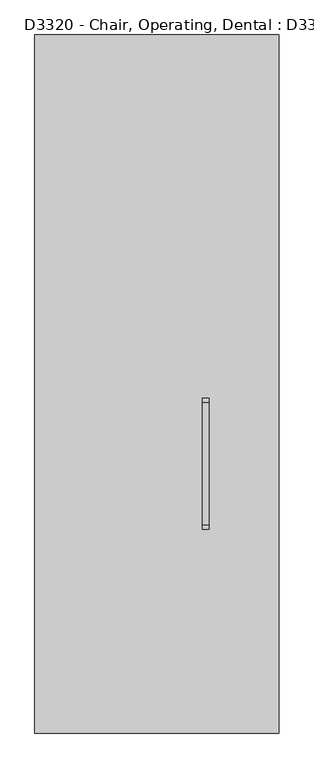
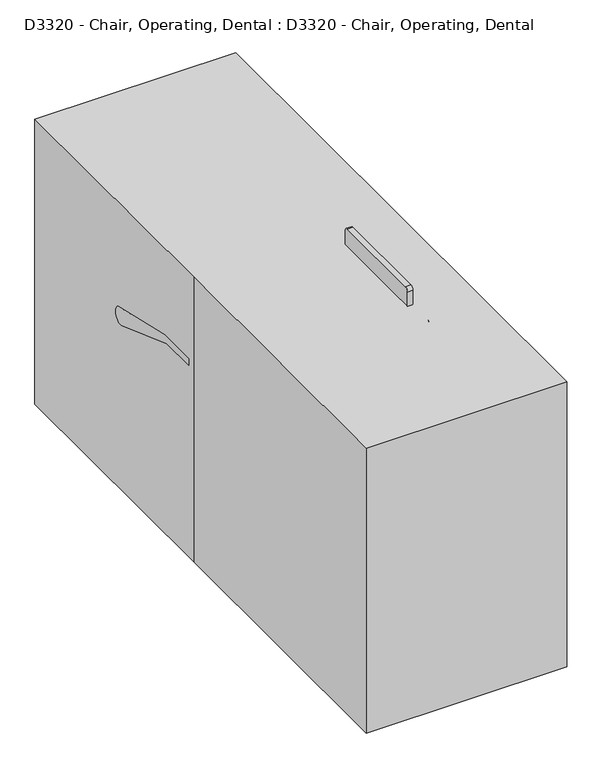
"""IFC4 building model written with IfcOpenShell, lengths in millimetres: proxy geometry, D3320 - Chair, Operating, Dental : D3320 - Chair, Operating, Dental."""

from ifc_helpers import new_model, si_unit, point, frame, frame_2d, origin, origin_with_axes, place, context, project, spatial, polyline, circle_curve, ellipse_curve, trimmed, segment, composite_curve, outline, extrude, source, transform, mapped, element, save
from ifc_brep_helpers import plane_surface, cylinder_surface, revolved_surface, spline_surface, advanced_brep


def d3320_chair_operating_dental_d3320_chair_operating_dental_678bfee4(model_context):
    return source(origin(), model_context, "Body", "SolidModel", [
        advanced_brep(
        [(330.2, -282.0868489, 807.4979758), (330.2, -282.0868489, 845.5979758), (330.2, -212.2368489, 877.3479758), (330.2, -250.3368489, 877.3479758)],
        [
            (0, 1, circle_curve(frame((330.2, -282.0868489, 826.5479758), z_axis=(0.0, -1.0, 0.0), x_axis=(0.0, 0.0, 1.0)), 19.05)),
            (1, 0, circle_curve(frame((330.2, -282.0868489, 826.5479758), z_axis=(0.0, -1.0, 0.0), x_axis=(0.0, 0.0, 1.0)), 19.05)),
            (2, 3, circle_curve(frame((330.2, -231.2868489, 877.3479758), z_axis=(0.0, 0.0, 1.0), x_axis=(0.0, -1.0, 0.0)), 19.05)),
            (3, 2, circle_curve(frame((330.2, -231.2868489, 877.3479758), z_axis=(0.0, 0.0, 1.0), x_axis=(0.0, -1.0, 0.0)), 19.05)),
            (3, 1, circle_curve(frame((330.2, -282.0868489, 877.3479758), z_axis=(-1.0, 0.0, 0.0), x_axis=(0.0, 0.0, -1.0)), 31.75)),
            (0, 2, circle_curve(frame((330.2, -282.0868489, 877.3479758), z_axis=(1.0, 0.0, 0.0), x_axis=(0.0, 0.0, -1.0)), 69.85)),
        ],
        [
            plane_surface(frame((330.2, -282.0868489, 826.5479758), z_axis=(0.0, -1.0, 0.0), x_axis=(1.0, 0.0, 0.0))),
            plane_surface(frame((330.2, -231.2868489, 877.3479758), z_axis=(0.0, 0.0, 1.0), x_axis=(1.0, 0.0, 0.0))),
            revolved_surface(trimmed(ellipse_curve(frame((330.2, -282.0868489, 826.5479758), z_axis=(0.0, -1.0, 0.0), x_axis=(0.0, 0.0, 1.0)), 19.05, 19.05), [point((330.2, -282.0868489, 807.4979758))], [point((330.2, -282.0868489, 845.5979758))], True, "CARTESIAN"), (330.2, -282.0868489, 877.3479758), (1.0, 0.0, 0.0)),
            revolved_surface(trimmed(ellipse_curve(frame((330.2, -282.0868489, 826.5479758), z_axis=(0.0, -1.0, 0.0), x_axis=(0.0, 0.0, 1.0)), 19.05, 19.05), [point((330.2, -282.0868489, 845.5979758))], [point((330.2, -282.0868489, 807.4979758))], True, "CARTESIAN"), (330.2, -282.0868489, 877.3479758), (1.0, 0.0, 0.0)),
        ],
        [
            (0, [[1, 2]]),
            (1, [[3, 4]]),
            (2, [[5, -1, 6, -4]]),
            (3, [[-6, -2, -5, -3]]),
        ],
    ),
        extrude(outline(composite_curve([segment(trimmed(circle_curve(frame_2d((826.5479758, 330.2)), 19.05), [point((807.4979758, 330.2))], [point((845.5979758, 330.2))], False, "CARTESIAN"), True, "CONTINUOUS"), segment(trimmed(circle_curve(frame_2d((826.5479758, 330.2)), 19.05), [point((845.5979758, 330.2))], [point((807.4979758, 330.2))], False, "CARTESIAN"), True, "CONTINUOUS")], self_intersect=False)), frame((0.0, -629.7082464, 0.0), z_axis=(0.0, 1.0, 0.0), x_axis=(0.0, 0.0, 1.0)), (0.0, 0.0, 1.0), 347.6213974),
        advanced_brep(
        [(330.2, -629.7082464, 845.5979758), (330.2, -629.7082464, 807.4979758), (330.2, -699.5582464, 775.7479758), (330.2, -661.4582464, 775.7479758)],
        [
            (0, 1, circle_curve(frame((330.2, -629.7082464, 826.5479758), z_axis=(0.0, 1.0, 0.0), x_axis=(0.0, 0.0, -1.0)), 19.05)),
            (1, 0, circle_curve(frame((330.2, -629.7082464, 826.5479758), z_axis=(0.0, 1.0, 0.0), x_axis=(0.0, 0.0, -1.0)), 19.05)),
            (2, 3, circle_curve(frame((330.2, -680.5082464, 775.7479758), z_axis=(0.0, 0.0, -1.0), x_axis=(0.0, 1.0, 0.0)), 19.05)),
            (3, 2, circle_curve(frame((330.2, -680.5082464, 775.7479758), z_axis=(0.0, 0.0, -1.0), x_axis=(0.0, 1.0, 0.0)), 19.05)),
            (3, 1, circle_curve(frame((330.2, -629.7082464, 775.7479758), z_axis=(-1.0, 0.0, 0.0), x_axis=(0.0, 0.0, 1.0)), 31.75)),
            (0, 2, circle_curve(frame((330.2, -629.7082464, 775.7479758), z_axis=(1.0, 0.0, 0.0), x_axis=(0.0, 0.0, 1.0)), 69.85)),
        ],
        [
            plane_surface(frame((330.2, -629.7082464, 826.5479758), z_axis=(0.0, 1.0, 0.0), x_axis=(1.0, 0.0, 0.0))),
            plane_surface(frame((330.2, -680.5082464, 775.7479758), z_axis=(0.0, 0.0, -1.0), x_axis=(1.0, 0.0, 0.0))),
            revolved_surface(trimmed(ellipse_curve(frame((330.2, -629.7082464, 826.5479758), z_axis=(0.0, 1.0, 0.0), x_axis=(0.0, 0.0, -1.0)), 19.05, 19.05), [point((330.2, -629.7082464, 845.5979758))], [point((330.2, -629.7082464, 807.4979758))], True, "CARTESIAN"), (330.2, -629.7082464, 775.7479758), (1.0, 0.0, 0.0)),
            revolved_surface(trimmed(ellipse_curve(frame((330.2, -629.7082464, 826.5479758), z_axis=(0.0, 1.0, 0.0), x_axis=(0.0, 0.0, -1.0)), 19.05, 19.05), [point((330.2, -629.7082464, 807.4979758))], [point((330.2, -629.7082464, 845.5979758))], True, "CARTESIAN"), (330.2, -629.7082464, 775.7479758), (1.0, 0.0, 0.0)),
        ],
        [
            (0, [[1, 2]]),
            (1, [[3, 4]]),
            (2, [[5, -1, 6, -4]]),
            (3, [[-6, -2, -5, -3]]),
        ],
    ),
        extrude(outline(composite_curve([segment(polyline([(-54.312137, 904.4198133), (-409.912137, 904.4198133)]), True, "CONTINUOUS"), segment(trimmed(circle_curve(frame_2d((-409.912137, 917.1198133)), 12.7), [point((-409.912137, 904.4198133))], [point((-422.612137, 917.1198133))], False, "CARTESIAN"), True, "CONTINUOUS"), segment(polyline([(-422.612137, 917.1198133), (-422.612137, 1120.3198133)]), True, "CONTINUOUS"), segment(trimmed(circle_curve(frame_2d((-409.912137, 1120.3198133)), 12.7), [point((-422.612137, 1120.3198133))], [point((-409.912137, 1133.0198133))], False, "CARTESIAN"), True, "CONTINUOUS"), segment(polyline([(-409.912137, 1133.0198133), (-54.312137, 1133.0198133)]), True, "CONTINUOUS"), segment(trimmed(circle_curve(frame_2d((-54.312137, 1120.3198133)), 12.7), [point((-54.312137, 1133.0198133))], [point((-41.612137, 1120.3198133))], False, "CARTESIAN"), True, "CONTINUOUS"), segment(polyline([(-41.612137, 1120.3198133), (-41.612137, 917.1198133)]), True, "CONTINUOUS"), segment(trimmed(circle_curve(frame_2d((-54.312137, 917.1198133)), 12.7), [point((-41.612137, 917.1198133))], [point((-54.312137, 904.4198133))], False, "CARTESIAN"), True, "CONTINUOUS")], self_intersect=False)), frame((133.35, 0.0, 0.0), z_axis=(1.0, 0.0, 0.0), x_axis=(0.0, 1.0, 0.0)), (0.0, 0.0, 1.0), 19.05),
        advanced_brep(
        [(152.4, -231.2868489, 909.123847), (152.4, -231.2868489, 947.223847), (279.4, -231.2868489, 947.223847), (279.4, -231.2868489, 909.123847), (311.15, -231.2868489, 877.373847), (349.25, -231.2868489, 877.373847)],
        [
            (0, 1, circle_curve(frame((152.4, -231.2868489, 928.173847), z_axis=(-1.0, 0.0, 0.0), x_axis=(0.0, 0.0, 1.0)), 19.05)),
            (1, 0, circle_curve(frame((152.4, -231.2868489, 928.173847), z_axis=(-1.0, 0.0, 0.0), x_axis=(0.0, 0.0, 1.0)), 19.05)),
            (1, 2),
            (2, 3, circle_curve(frame((279.4, -231.2868489, 928.173847), z_axis=(-1.0, 0.0, 0.0), x_axis=(0.0, 0.0, 1.0)), 19.05)),
            (3, 0),
            (3, 2, circle_curve(frame((279.4, -231.2868489, 928.173847), z_axis=(-1.0, 0.0, 0.0), x_axis=(0.0, 0.0, 1.0)), 19.05)),
            (4, 5, circle_curve(frame((330.2, -231.2868489, 877.373847), z_axis=(0.0, 0.0, -1.0), x_axis=(1.0, 0.0, 0.0)), 19.05)),
            (5, 4, circle_curve(frame((330.2, -231.2868489, 877.373847), z_axis=(0.0, 0.0, -1.0), x_axis=(1.0, 0.0, 0.0)), 19.05)),
            (4, 3, circle_curve(frame((279.4, -231.2868489, 877.373847), z_axis=(0.0, -1.0, 0.0), x_axis=(0.0, 0.0, 1.0)), 31.75)),
            (2, 5, circle_curve(frame((279.4, -231.2868489, 877.373847), z_axis=(0.0, 1.0, 0.0), x_axis=(0.0, 0.0, 1.0)), 69.85)),
        ],
        [
            plane_surface(frame((152.4, -231.2868489, 928.173847), z_axis=(-1.0, 0.0, 0.0), x_axis=(0.0, -1.0, 0.0))),
            cylinder_surface(frame((152.4, -231.2868489, 928.173847), z_axis=(-1.0, 0.0, 0.0), x_axis=(0.0, 0.0, 1.0)), 19.05),
            plane_surface(frame((330.2, -231.2868489, 877.373847), z_axis=(0.0, 0.0, -1.0), x_axis=(0.0, -1.0, 0.0))),
            revolved_surface(trimmed(ellipse_curve(frame((279.4, -231.2868489, 928.173847), z_axis=(-1.0, 0.0, 0.0), x_axis=(0.0, 0.0, 1.0)), 19.05, 19.05), [point((279.4, -231.2868489, 947.223847))], [point((279.4, -231.2868489, 909.123847))], True, "CARTESIAN"), (279.4, -231.2868489, 877.373847), (0.0, 1.0, 0.0)),
            revolved_surface(trimmed(ellipse_curve(frame((279.4, -231.2868489, 928.173847), z_axis=(-1.0, 0.0, 0.0), x_axis=(0.0, 0.0, 1.0)), 19.05, 19.05), [point((279.4, -231.2868489, 909.123847))], [point((279.4, -231.2868489, 947.223847))], True, "CARTESIAN"), (279.4, -231.2868489, 877.373847), (0.0, 1.0, 0.0)),
        ],
        [
            (0, [[1, 2]]),
            (1, [[-2, 3, 4, 5]]),
            (1, [[-1, -5, 6, -3]]),
            (2, [[7, 8]]),
            (3, [[9, -4, 10, -7]]),
            (4, [[-10, -6, -9, -8]]),
        ],
    ),
        advanced_brep(
        [(152.4, -680.5082464, 147.0979758), (152.4, -680.5082464, 185.1979758), (279.4, -680.5082464, 147.0979758), (279.4, -680.5082464, 185.1979758), (349.25, -680.5082464, 216.9479758), (311.15, -680.5082464, 216.9479758)],
        [
            (0, 1, circle_curve(frame((152.4, -680.5082464, 166.1479758), z_axis=(-1.0, 0.0, 0.0), x_axis=(0.0, 0.0, 1.0)), 19.05)),
            (1, 0, circle_curve(frame((152.4, -680.5082464, 166.1479758), z_axis=(-1.0, 0.0, 0.0), x_axis=(0.0, 0.0, 1.0)), 19.05)),
            (0, 2),
            (2, 3, circle_curve(frame((279.4, -680.5082464, 166.1479758), z_axis=(-1.0, 0.0, 0.0), x_axis=(0.0, 0.0, 1.0)), 19.05)),
            (3, 1),
            (3, 2, circle_curve(frame((279.4, -680.5082464, 166.1479758), z_axis=(-1.0, 0.0, 0.0), x_axis=(0.0, 0.0, 1.0)), 19.05)),
            (4, 5, circle_curve(frame((330.2, -680.5082464, 216.9479758), z_axis=(0.0, 0.0, 1.0), x_axis=(-1.0, 0.0, 0.0)), 19.05)),
            (5, 4, circle_curve(frame((330.2, -680.5082464, 216.9479758), z_axis=(0.0, 0.0, 1.0), x_axis=(-1.0, 0.0, 0.0)), 19.05)),
            (5, 3, circle_curve(frame((279.4, -680.5082464, 216.9479758), z_axis=(0.0, 1.0, 0.0), x_axis=(0.0, 0.0, -1.0)), 31.75)),
            (2, 4, circle_curve(frame((279.4, -680.5082464, 216.9479758), z_axis=(0.0, -1.0, 0.0), x_axis=(0.0, 0.0, -1.0)), 69.85)),
        ],
        [
            plane_surface(frame((152.4, -680.5082464, 166.1479758), z_axis=(-1.0, 0.0, 0.0), x_axis=(0.0, -1.0, 0.0))),
            cylinder_surface(frame((152.4, -680.5082464, 166.1479758), z_axis=(-1.0, 0.0, 0.0), x_axis=(0.0, 0.0, 1.0)), 19.05),
            plane_surface(frame((330.2, -680.5082464, 216.9479758), z_axis=(0.0, 0.0, 1.0), x_axis=(0.0, -1.0, 0.0))),
            revolved_surface(trimmed(ellipse_curve(frame((279.4, -680.5082464, 166.1479758), z_axis=(-1.0, 0.0, 0.0), x_axis=(0.0, 0.0, 1.0)), 19.05, 19.05), [point((279.4, -680.5082464, 147.0979758))], [point((279.4, -680.5082464, 185.1979758))], True, "CARTESIAN"), (279.4, -680.5082464, 216.9479758), (0.0, -1.0, 0.0)),
            revolved_surface(trimmed(ellipse_curve(frame((279.4, -680.5082464, 166.1479758), z_axis=(-1.0, 0.0, 0.0), x_axis=(0.0, 0.0, 1.0)), 19.05, 19.05), [point((279.4, -680.5082464, 185.1979758))], [point((279.4, -680.5082464, 147.0979758))], True, "CARTESIAN"), (279.4, -680.5082464, 216.9479758), (0.0, -1.0, 0.0)),
        ],
        [
            (0, [[1, 2]]),
            (1, [[-1, 3, 4, 5]]),
            (1, [[-2, -5, 6, -3]]),
            (2, [[7, 8]]),
            (3, [[9, -4, 10, -8]]),
            (4, [[-10, -6, -9, -7]]),
        ],
    ),
        extrude(outline(composite_curve([segment(trimmed(circle_curve(frame_2d((493.8256126, 645.6714008)), 19.05), [point((474.7756126, 645.6714008))], [point((512.8756126, 645.6714008))], False, "CARTESIAN"), True, "CONTINUOUS"), segment(trimmed(circle_curve(frame_2d((493.8256126, 645.6714008)), 19.05), [point((512.8756126, 645.6714008))], [point((474.7756126, 645.6714008))], False, "CARTESIAN"), True, "CONTINUOUS")], self_intersect=False)), frame((-306.1189765, 0.0, 0.0), z_axis=(1.0, 0.0, 0.0), x_axis=(0.0, 1.0, 0.0)), (0.0, 0.0, 1.0), 610.9189765),
        extrude(outline(composite_curve([segment(trimmed(circle_curve(frame_2d((330.2, -680.5082464)), 19.05), [point((349.25, -680.5082464))], [point((311.15, -680.5082464))], False, "CARTESIAN"), True, "CONTINUOUS"), segment(trimmed(circle_curve(frame_2d((330.2, -680.5082464)), 19.05), [point((311.15, -680.5082464))], [point((349.25, -680.5082464))], False, "CARTESIAN"), True, "CONTINUOUS")], self_intersect=False)), frame((0.0, 0.0, 216.9479758), z_axis=(0.0, 0.0, 1.0), x_axis=(1.0, 0.0, 0.0)), (0.0, 0.0, 1.0), 558.8),
        extrude(outline(composite_curve([segment(trimmed(circle_curve(frame_2d((208.2843617, -50.8)), 50.8), [point((208.2843617, 0.0))], [point((243.3133982, -14.0086069))], False, "CARTESIAN"), True, "CONTINUOUS"), segment(polyline([(243.3133982, -14.0086069), (332.2133982, -167.9879237)]), True, "CONTINUOUS"), segment(trimmed(circle_curve(frame_2d((16.6967808, -350.1515277)), 364.327208), [point((332.2133982, -167.9879237))], [point((381.0, -345.9707394))], False, "CARTESIAN"), True, "CONTINUOUS"), segment(polyline([(381.0, -345.9707394), (381.0, -422.1707394)]), True, "CONTINUOUS"), segment(trimmed(circle_curve(frame_2d((182.0559291, -422.1707394)), 198.9440709), [point((381.0, -422.1707394))], [point((309.9347128, -574.5707394))], False, "CARTESIAN"), True, "CONTINUOUS"), segment(polyline([(309.9347128, -574.5707394), (-50.8, -574.5707394)]), True, "CONTINUOUS"), segment(trimmed(circle_curve(frame_2d((22.4448791, -442.6982999)), 150.8481111), [point((-50.8, -574.5707394))], [point((-127.0, -422.1707394))], False, "CARTESIAN"), True, "CONTINUOUS"), segment(polyline([(-127.0, -422.1707394), (-127.0, -345.9707394)]), True, "CONTINUOUS"), segment(trimmed(circle_curve(frame_2d((237.3032191, -350.1515277)), 364.327208), [point((-127.0, -345.9707394))], [point((-78.2133983, -167.9879237))], False, "CARTESIAN"), True, "CONTINUOUS"), segment(polyline([(-78.2133983, -167.9879237), (10.6866017, -14.0086069)]), True, "CONTINUOUS"), segment(trimmed(circle_curve(frame_2d((45.7156382, -50.8)), 50.8), [point((10.6866017, -14.0086069))], [point((45.7156382, 0.0))], False, "CARTESIAN"), True, "CONTINUOUS"), segment(polyline([(45.7156382, 0.0), (208.2843617, 0.0)]), True, "CONTINUOUS")], self_intersect=False)), frame((-129.5673564, 864.322553, 876.3857997), z_axis=(0.0, -0.6156614753256581, 0.7880107536067222), x_axis=(1.0, 0.0, 0.0)), (0.0, 0.0, 1.0), 25.4),
        extrude(outline(composite_curve([segment(trimmed(circle_curve(frame_2d((208.2843617, -50.8)), 50.8), [point((208.2843617, 0.0))], [point((243.3133982, -14.0086069))], False, "CARTESIAN"), True, "CONTINUOUS"), segment(polyline([(243.3133982, -14.0086069), (332.2133982, -167.9879237)]), True, "CONTINUOUS"), segment(trimmed(circle_curve(frame_2d((16.6967808, -350.1515277)), 364.327208), [point((332.2133982, -167.9879237))], [point((381.0, -345.9707394))], False, "CARTESIAN"), True, "CONTINUOUS"), segment(polyline([(381.0, -345.9707394), (381.0, -422.1707394)]), True, "CONTINUOUS"), segment(trimmed(circle_curve(frame_2d((182.0559291, -422.1707394)), 198.9440709), [point((381.0, -422.1707394))], [point((309.9347128, -574.5707394))], False, "CARTESIAN"), True, "CONTINUOUS"), segment(polyline([(309.9347128, -574.5707394), (-50.8, -574.5707394)]), True, "CONTINUOUS"), segment(trimmed(circle_curve(frame_2d((22.4448791, -442.6982998)), 150.8481111), [point((-50.8, -574.5707394))], [point((-127.0, -422.1707394))], False, "CARTESIAN"), True, "CONTINUOUS"), segment(polyline([(-127.0, -422.1707394), (-127.0, -345.9707394)]), True, "CONTINUOUS"), segment(trimmed(circle_curve(frame_2d((237.3032191, -350.1515277)), 364.327208), [point((-127.0, -345.9707394))], [point((-78.2133983, -167.9879237))], False, "CARTESIAN"), True, "CONTINUOUS"), segment(polyline([(-78.2133983, -167.9879237), (10.6866017, -14.0086069)]), True, "CONTINUOUS"), segment(trimmed(circle_curve(frame_2d((45.7156382, -50.8)), 50.8), [point((10.6866017, -14.0086069))], [point((45.7156382, 0.0))], False, "CARTESIAN"), True, "CONTINUOUS"), segment(polyline([(45.7156382, 0.0), (208.2843617, 0.0)]), True, "CONTINUOUS")], self_intersect=False)), frame((-129.5673564, 848.6847515, 896.4012729), z_axis=(0.0, -0.6156614753256581, 0.7880107536067222), x_axis=(1.0, 0.0, 0.0)), (0.0, 0.0, 1.0), 50.8),
        extrude(outline(composite_curve([segment(trimmed(circle_curve(frame_2d((489.7654805, 647.772225)), 31.75), [point((504.1673656, 676.0679527))], [point((478.9625427, 617.9165884))], False, "CARTESIAN"), True, "CONTINUOUS"), segment(polyline([(478.9625427, 617.9165884), (206.8538697, 716.3761557), (73.5038697, 716.3761557), (73.5038697, 741.7761557), (219.5538697, 741.7761557), (504.1673656, 676.0679527)]), True, "CONTINUOUS")], self_intersect=False)), frame((304.8, 0.0, 0.0), z_axis=(1.0, 0.0, 0.0), x_axis=(0.0, 1.0, 0.0)), (0.0, 0.0, 1.0), 50.8),
        extrude(outline(composite_curve([segment(trimmed(circle_curve(frame_2d((489.7654805, 647.772225)), 31.75), [point((504.1673656, 676.0679527))], [point((478.9625427, 617.9165884))], False, "CARTESIAN"), True, "CONTINUOUS"), segment(polyline([(478.9625427, 617.9165884), (206.8538697, 716.3761557), (73.5038697, 716.3761557), (73.5038697, 741.7761557), (219.5538697, 741.7761557), (504.1673656, 676.0679527)]), True, "CONTINUOUS")], self_intersect=False)), frame((-355.6, 0.0, 0.0), z_axis=(1.0, 0.0, 0.0), x_axis=(0.0, 1.0, 0.0)), (0.0, 0.0, 1.0), 50.8),
        extrude(outline(polyline([(310.7877426, 480.8103013), (395.9168302, 542.6602038), (411.5546317, 522.6447306), (310.7877426, 449.4333003), (310.7877426, 480.8103013)])), frame((-50.8, 0.0, 0.0), z_axis=(1.0, 0.0, 0.0), x_axis=(0.0, 1.0, 0.0)), (0.0, 0.0, 1.0), 101.6),
        extrude(outline(polyline([(0.0, -12.7000001), (0.0, 0.0), (50.8, 0.0), (50.8, -12.7000001), (0.0, -12.7000001)])), frame((25.4, 864.322553, 876.3857997), z_axis=(0.0, -0.6156614753256595, 0.788010753606721), x_axis=(-1.0, 0.0, 0.0)), (0.0, 0.0, 1.0), 25.4),
        extrude(outline(composite_curve([segment(trimmed(circle_curve(frame_2d((101.6, -50.8)), 50.8), [point((101.6, 0.0))], [point((152.4, -50.8))], False, "CARTESIAN"), True, "CONTINUOUS"), segment(polyline([(152.4, -50.8), (152.4, -101.6)]), True, "CONTINUOUS"), segment(trimmed(circle_curve(frame_2d((101.6, -101.6)), 50.8), [point((152.4, -101.6))], [point((101.6, -152.3999999))], False, "CARTESIAN"), True, "CONTINUOUS"), segment(polyline([(101.6, -152.3999999), (50.8, -152.3999999)]), True, "CONTINUOUS"), segment(trimmed(circle_curve(frame_2d((50.8, -101.6)), 50.8), [point((50.8, -152.3999999))], [point((0.0, -101.6))], False, "CARTESIAN"), True, "CONTINUOUS"), segment(polyline([(0.0, -101.6), (0.0, -50.8)]), True, "CONTINUOUS"), segment(trimmed(circle_curve(frame_2d((50.8, -50.8)), 50.8), [point((0.0, -50.8))], [point((50.8, 0.0))], False, "CARTESIAN"), True, "CONTINUOUS"), segment(polyline([(50.8, 0.0), (101.6, 0.0)]), True, "CONTINUOUS")], self_intersect=False)), frame((-76.2, 994.4231284, 978.0315093), z_axis=(0.0, -0.6156614753256581, 0.7880107536067222), x_axis=(1.0, 0.0, 0.0)), (0.0, 0.0, 1.0), 25.4),
        extrude(outline(composite_curve([segment(trimmed(circle_curve(frame_2d((101.6, -50.8)), 50.8), [point((101.6, 0.0))], [point((152.4, -50.8))], False, "CARTESIAN"), True, "CONTINUOUS"), segment(polyline([(152.4, -50.8), (152.4, -101.6)]), True, "CONTINUOUS"), segment(trimmed(circle_curve(frame_2d((101.6, -101.6)), 50.8), [point((152.4, -101.6))], [point((101.6, -152.4))], False, "CARTESIAN"), True, "CONTINUOUS"), segment(polyline([(101.6, -152.4), (50.8, -152.4)]), True, "CONTINUOUS"), segment(trimmed(circle_curve(frame_2d((50.8, -101.6)), 50.8), [point((50.8, -152.4))], [point((0.0, -101.6))], False, "CARTESIAN"), True, "CONTINUOUS"), segment(polyline([(0.0, -101.6), (0.0, -50.8)]), True, "CONTINUOUS"), segment(trimmed(circle_curve(frame_2d((50.8, -50.8)), 50.8), [point((0.0, -50.8))], [point((50.8, 0.0))], False, "CARTESIAN"), True, "CONTINUOUS"), segment(polyline([(50.8, 0.0), (101.6, 0.0)]), True, "CONTINUOUS")], self_intersect=False)), frame((-76.2, 978.7853269, 998.0469825), z_axis=(0.0, -0.6156614753256581, 0.7880107536067222), x_axis=(1.0, 0.0, 0.0)), (0.0, 0.0, 1.0), 50.8),
        extrude(outline(polyline([(336.1877426, 524.8043918), (310.7877426, 480.8103013), (-272.8576262, 594.2594685), (-295.1268804, 639.918206), (336.1877426, 524.8043918)])), frame((-304.8, 0.0, 0.0), z_axis=(1.0, 0.0, 0.0), x_axis=(0.0, 1.0, 0.0)), (0.0, 0.0, 1.0), 609.6),
        extrude(outline(composite_curve([segment(polyline([(598.2189765, 0.0), (532.7462193, -533.2328165)]), True, "CONTINUOUS"), segment(trimmed(circle_curve(frame_2d((274.2361884, -526.7589345)), 258.5910811), [point((532.7462193, -533.2328165))], [point((338.8867287, -777.137957))], False, "CARTESIAN"), True, "CONTINUOUS"), segment(polyline([(338.8867287, -777.137957), (245.3132713, -777.137957)]), True, "CONTINUOUS"), segment(trimmed(circle_curve(frame_2d((309.9638116, -526.7589345)), 258.5910811), [point((245.3132713, -777.137957))], [point((51.4537807, -533.2328165))], False, "CARTESIAN"), True, "CONTINUOUS"), segment(polyline([(51.4537807, -533.2328165), (-14.0189765, 0.0), (598.2189765, 0.0)]), True, "CONTINUOUS")], self_intersect=False)), frame((-292.1, -283.3586332, 589.1377851), z_axis=(0.0, -0.4383711467890792, 0.8987940462991661), x_axis=(1.0, 0.0, 0.0)), (0.0, 0.0, 1.0), 50.8),
        extrude(outline(composite_curve([segment(polyline([(-272.8576262, 594.2594685), (310.7877426, 480.8103013), (310.7877426, 452.8366621)]), True, "CONTINUOUS"), segment(trimmed(circle_curve(frame_2d((259.9877426, 452.8366621)), 50.8), [point((310.7877426, 452.8366621))], [point((259.9877426, 402.0366621))], False, "CARTESIAN"), True, "CONTINUOUS"), segment(polyline([(259.9877426, 402.0366621), (90.373422, 402.0366621)]), True, "CONTINUOUS"), segment(trimmed(circle_curve(frame_2d((90.373422, 452.8366621)), 50.8), [point((90.373422, 402.0366621))], [point((74.4163817, 404.6079065))], False, "CARTESIAN"), True, "CONTINUOUS"), segment(polyline([(74.4163817, 404.6079065), (-364.1751013, 549.7209599), (-272.8576262, 594.2594685)]), True, "CONTINUOUS")], self_intersect=False)), frame((-254.0, 0.0, 0.0), z_axis=(1.0, 0.0, 0.0), x_axis=(0.0, 1.0, 0.0)), (0.0, 0.0, 1.0), 508.0),
        extrude(outline(composite_curve([segment(trimmed(circle_curve(frame_2d((154.8195441, 313.1366621)), 80.8223051), [point((235.6418492, 313.1366621))], [point((154.8195441, 232.314357))], False, "CARTESIAN"), True, "CONTINUOUS"), segment(polyline([(154.8195441, 232.314357), (135.7695441, 232.314357)]), True, "CONTINUOUS"), segment(trimmed(circle_curve(frame_2d((135.7695441, 411.5922374)), 179.2778804), [point((135.7695441, 232.314357))], [point((-40.7847024, 442.7235146))], False, "CARTESIAN"), True, "CONTINUOUS"), segment(polyline([(-40.7847024, 442.7235146), (74.4163817, 404.6079065)]), True, "CONTINUOUS"), segment(trimmed(circle_curve(frame_2d((90.373422, 452.8366621)), 50.8), [point((74.4163817, 404.6079065))], [point((88.8729292, 402.0588271))], True, "CARTESIAN"), True, "CONTINUOUS"), segment(polyline([(88.8729292, 402.0588271), (235.6418492, 402.0588271), (235.6418492, 313.1366621)]), True, "CONTINUOUS")], self_intersect=False)), frame((-152.4, 0.0, 0.0), z_axis=(1.0, 0.0, 0.0), x_axis=(0.0, 1.0, 0.0)), (0.0, 0.0, 1.0), 304.8),
        extrude(outline(composite_curve([segment(polyline([(-203.6480621, 317.5988676), (-34.8553722, 356.5677306)]), True, "CONTINUOUS"), segment(trimmed(circle_curve(frame_2d((135.7695441, 411.5922374)), 179.2778804), [point((-34.8553722, 356.5677306))], [point((43.7175474, 257.7514485))], True, "CARTESIAN"), True, "CONTINUOUS"), segment(polyline([(43.7175474, 257.7514485), (-123.4829714, 209.8074713)]), True, "CONTINUOUS"), segment(trimmed(circle_curve(frame_2d((-381.5323002, 101.6)), 279.8183571), [point((-123.4829714, 209.8074713))], [point((-203.6480621, 317.5988676))], True, "CARTESIAN"), True, "CONTINUOUS")], self_intersect=False)), frame((-101.6, 0.0, 0.0), z_axis=(1.0, 0.0, 0.0), x_axis=(0.0, 1.0, 0.0)), (0.0, 0.0, 1.0), 203.2),
        extrude(outline(composite_curve([segment(polyline([(-101.7139431, 101.6), (-101.7139431, 50.8), (-635.0, 50.8), (-635.0, 0.0), (-849.2666885, 0.0), (-849.2666885, 50.8)]), True, "CONTINUOUS"), segment(trimmed(circle_curve(frame_2d((-318.519921, -255.6267891)), 612.8535782), [point((-849.2666885, 50.8))], [point((-318.519921, 357.2267891))], False, "CARTESIAN"), True, "CONTINUOUS"), segment(polyline([(-318.519921, 357.2267891), (-267.719921, 357.2267891)]), True, "CONTINUOUS"), segment(trimmed(circle_curve(frame_2d((-381.5323002, 101.6)), 279.8183571), [point((-267.719921, 357.2267891))], [point((-101.7139431, 101.6))], False, "CARTESIAN"), True, "CONTINUOUS")], self_intersect=False)), frame((-152.4, 0.0, 0.0), z_axis=(1.0, 0.0, 0.0), x_axis=(0.0, 1.0, 0.0)), (0.0, 0.0, 1.0), 304.8),
        extrude(outline(polyline([(368.7784529, 132.1863323), (418.5919512, 122.2236326), (418.5919512, 115.8736326), (368.7784529, 125.8363323), (368.7784529, 132.1863323)])), frame((-48.8615302, 0.0, 0.0), z_axis=(1.0, 0.0, 0.0), x_axis=(0.0, 1.0, 0.0)), (0.0, 0.0, 1.0), 36.3232839),
        extrude(outline(polyline([(368.7784529, 132.1863323), (418.5919512, 122.2236326), (418.5919512, 115.8736326), (368.7784529, 125.8363323), (368.7784529, 132.1863323)])), frame((12.5382463, 0.0, 0.0), z_axis=(1.0, 0.0, 0.0), x_axis=(0.0, 1.0, 0.0)), (0.0, 0.0, 1.0), 36.3232839),
        extrude(outline(polyline([(426.4601145, 101.6), (356.2918492, 101.6), (356.2918492, 128.3336531), (426.4601145, 114.3), (426.4601145, 101.6)])), frame((-63.5, 0.0, 0.0), z_axis=(1.0, 0.0, 0.0), x_axis=(0.0, 1.0, 0.0)), (0.0, 0.0, 1.0), 127.0),
        advanced_brep(
        [(101.6, 392.0977021, 101.6), (-101.6, 392.0977021, 101.6), (127.0, 392.0977021, 50.8), (-127.0, 392.0977021, 50.8)],
        [
            (0, 1, ellipse_curve(frame((0.0, 392.0977021, 101.6), z_axis=(0.0, 0.0, 1.0), x_axis=(-1.0, 0.0, 0.0)), 101.6, 50.8)),
            (1, 0, ellipse_curve(frame((0.0, 392.0977021, 101.6), z_axis=(0.0, 0.0, 1.0), x_axis=(-1.0, 0.0, 0.0)), 101.6, 50.8)),
            (2, 3, ellipse_curve(frame((0.0, 392.0977021, 50.8), z_axis=(0.0, 0.0, -1.0), x_axis=(-1.0, 0.0, 0.0)), 127.0, 63.5)),
            (3, 2, ellipse_curve(frame((0.0, 392.0977021, 50.8), z_axis=(0.0, 0.0, -1.0), x_axis=(-1.0, 0.0, 0.0)), 127.0, 63.5)),
            (3, 1),
            (0, 2),
        ],
        [
            plane_surface(frame((0.0, 392.0977021, 101.6), z_axis=(0.0, 0.0, 1.0), x_axis=(0.0, 1.0, 0.0))),
            plane_surface(frame((0.0, 392.0977021, 50.8), z_axis=(0.0, 0.0, -1.0), x_axis=(0.0, 1.0, 0.0))),
            spline_surface(2, 1, [[(127.0, 392.0977021, 50.8), (101.6, 392.0977021, 101.6)], [(127.0, 455.5977021, 50.8), (101.6, 442.8977021, 101.6)], [(0.0, 455.5977021, 50.8), (0.0, 442.8977021, 101.6)], [(-127.0, 455.5977021, 50.8), (-101.6, 442.8977021, 101.6)], [(-127.0, 392.0977021, 50.8), (-101.6, 392.0977021, 101.6)]], [3, 2, 3], [2, 2], [0.0, 1.0, 2.0], [0.0, 1.0], weights=[[1.0, 1.0], [0.7071067811865476, 0.7071067811865476], [1.0, 1.0], [0.7071067811865476, 0.7071067811865476], [1.0, 1.0]]),
            spline_surface(2, 1, [[(-127.0, 392.0977021, 50.8), (-101.6, 392.0977021, 101.6)], [(-127.0, 328.5977021, 50.8), (-101.6, 341.2977021, 101.6)], [(0.0, 328.5977021, 50.8), (0.0, 341.2977021, 101.6)], [(127.0, 328.5977021, 50.8), (101.6, 341.2977021, 101.6)], [(127.0, 392.0977021, 50.8), (101.6, 392.0977021, 101.6)]], [3, 2, 3], [2, 2], [0.0, 1.0, 2.0], [0.0, 1.0], weights=[[1.0, 1.0], [0.7071067811865476, 0.7071067811865476], [1.0, 1.0], [0.7071067811865476, 0.7071067811865476], [1.0, 1.0]]),
        ],
        [
            (0, [[1, 2]]),
            (1, [[3, 4]]),
            (2, [[-4, 5, -1, 6]]),
            (3, [[-3, -6, -2, -5]]),
        ],
    ),
        extrude(outline(composite_curve([segment(trimmed(circle_curve(frame_2d((-190.5, -203.0820374)), 50.8), [point((-241.3, -203.0820374))], [point((-239.569032, -189.9340299))], False, "CARTESIAN"), True, "CONTINUOUS"), segment(polyline([(-239.569032, -189.9340299), (-158.4649343, 112.7505833)]), True, "CONTINUOUS"), segment(trimmed(circle_curve(frame_2d((-207.5339663, 125.8985908)), 50.8), [point((-158.4649343, 112.7505833))], [point((-156.7339663, 125.8985908))], True, "CARTESIAN"), True, "CONTINUOUS"), segment(polyline([(-156.7339663, 125.8985908), (-156.7339663, 275.9685949)]), True, "CONTINUOUS"), segment(trimmed(circle_curve(frame_2d((-207.5339663, 275.9685949)), 50.8), [point((-156.7339663, 275.9685949))], [point((-171.6129418, 311.8896194))], True, "CARTESIAN"), True, "CONTINUOUS"), segment(polyline([(-171.6129418, 311.8896194), (-201.0210245, 341.2977021)]), True, "CONTINUOUS"), segment(trimmed(circle_curve(frame_2d((-165.1, 377.2187266)), 50.8), [point((-201.0210245, 341.2977021))], [point((-215.9, 377.2187266))], False, "CARTESIAN"), True, "CONTINUOUS"), segment(polyline([(-215.9, 377.2187266), (-215.9, 406.9766776)]), True, "CONTINUOUS"), segment(trimmed(circle_curve(frame_2d((-165.1, 406.9766776)), 50.8), [point((-215.9, 406.9766776))], [point((-165.1, 457.7766776))], False, "CARTESIAN"), True, "CONTINUOUS"), segment(polyline([(-165.1, 457.7766776), (127.0, 457.7766776)]), True, "CONTINUOUS"), segment(trimmed(circle_curve(frame_2d((127.0, 406.9766776)), 50.8), [point((127.0, 457.7766776))], [point((177.8, 406.9766776))], False, "CARTESIAN"), True, "CONTINUOUS"), segment(polyline([(177.8, 406.9766776), (177.8, 377.2187266)]), True, "CONTINUOUS"), segment(trimmed(circle_curve(frame_2d((127.0, 377.2187266)), 50.8), [point((177.8, 377.2187266))], [point((162.9210245, 341.2977021))], False, "CARTESIAN"), True, "CONTINUOUS"), segment(polyline([(162.9210245, 341.2977021), (133.5129418, 311.8896194)]), True, "CONTINUOUS"), segment(trimmed(circle_curve(frame_2d((169.4339663, 275.9685949)), 50.8), [point((133.5129418, 311.8896194))], [point((118.6339663, 275.9685949))], True, "CARTESIAN"), True, "CONTINUOUS"), segment(polyline([(118.6339663, 275.9685949), (118.6339663, 125.8985908)]), True, "CONTINUOUS"), segment(trimmed(circle_curve(frame_2d((169.4339663, 125.8985908)), 50.8), [point((118.6339663, 125.8985908))], [point((120.3649343, 112.7505833))], True, "CARTESIAN"), True, "CONTINUOUS"), segment(polyline([(120.3649343, 112.7505833), (201.469032, -189.9340299)]), True, "CONTINUOUS"), segment(trimmed(circle_curve(frame_2d((152.4, -203.0820374)), 50.8), [point((201.469032, -189.9340299))], [point((203.2, -203.0820374))], False, "CARTESIAN"), True, "CONTINUOUS"), segment(polyline([(203.2, -203.0820374), (203.2, -584.2)]), True, "CONTINUOUS"), segment(trimmed(circle_curve(frame_2d((152.4, -584.2)), 50.8), [point((203.2, -584.2))], [point((152.4, -635.0))], False, "CARTESIAN"), True, "CONTINUOUS"), segment(polyline([(152.4, -635.0), (-190.5, -635.0)]), True, "CONTINUOUS"), segment(trimmed(circle_curve(frame_2d((-190.5, -584.2)), 50.8), [point((-190.5, -635.0))], [point((-241.3, -584.2))], False, "CARTESIAN"), True, "CONTINUOUS"), segment(polyline([(-241.3, -584.2), (-241.3, -203.0820374)]), True, "CONTINUOUS")], self_intersect=False)), origin_with_axes(), (0.0, 0.0, 1.0), 50.8),
        extrude(outline(polyline([(-355.6, -1016.0), (-355.6, 38.1), (-355.6, 1016.0), (355.6, 1016.0), (355.6, -1016.0), (-355.6, -1016.0)])), origin_with_axes(), (0.0, 0.0, 1.0), 1066.8),
    ])


if __name__ == "__main__":
    model = new_model("IFC4")
    model_context = context("Model", 3, world=origin())
    ifc_project = project(units=[si_unit("LENGTHUNIT", "METRE", prefix="MILLI")], contexts=[model_context])
    site = spatial("IfcSite", under=ifc_project)
    building = spatial("IfcBuilding", under=site)
    placement = place(None, origin())
    d3320_chair_operating_dental_d3320_chair_operating_dental_shape = d3320_chair_operating_dental_d3320_chair_operating_dental_678bfee4(model_context)
    element("IfcBuildingElementProxy", 1, Name="D3320 - Chair, Operating, Dental : D3320 - Chair, Operating, Dental", ObjectType="D3320 - Chair, Operating, Dental : D3320 - Chair, Operating, Dental", at=placement, inside=building, context=model_context, shape_type="MappedRepresentation", body=[
        mapped(d3320_chair_operating_dental_d3320_chair_operating_dental_shape, transform((0.0, 0.0, 0.0), x_axis=(1.0, 0.0, 0.0), y_axis=(0.0, 1.0, 0.0), z_axis=(0.0, 0.0, 1.0))),
    ])
    save(model, "model.ifc")
